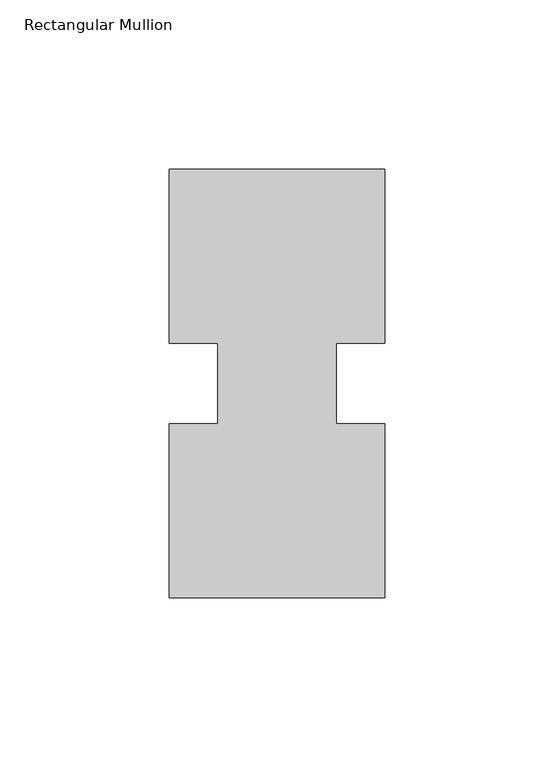
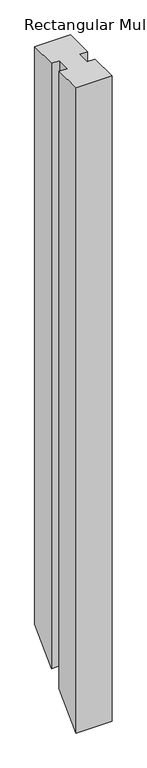
"""IFC4 building model written with IfcOpenShell, lengths in millimetres: member geometry, Rectangular Mullion."""

import ifcopenshell
import ifcopenshell.guid

model = None  # the IFC model being written
_history = None  # IfcOwnerHistory: only IFC2X3 demands one
_inside = {}  # id of a spatial element -> (the spatial element, [elements in it])
_under = {}  # id of a project, library or spatial element -> (it, [spatial elements below it])
_declared = {}  # id of a project -> (the project, [libraries it declares])
_typed = {}  # id of a type object -> (the type object, [elements of that type])
_made_of = {}  # id of a material, layer set ... -> (it, [elements and type objects made of it])


def new_model(schema):
    """Start an empty IFC model of exactly this schema.

    Asked for "IFC4X3", IfcOpenShell would pick the latest addendum, in which some entities
    have other attributes; the version numbers below select the first issue.
    IFC2X3 requires an IfcOwnerHistory on every rooted entity: one is made here for all.
    """
    global model, _history
    if schema == "IFC4X3":
        model = ifcopenshell.file(schema_version=(4, 3, 0, 0))
    else:
        model = ifcopenshell.file(schema=schema)
    _inside.clear()
    _under.clear()
    _declared.clear()
    _typed.clear()
    _made_of.clear()
    _history = None
    if model.schema == "IFC2X3":
        org = make("IfcOrganization", Name="unknown")
        user = make(
            "IfcPersonAndOrganization",
            ThePerson=make("IfcPerson", FamilyName="unknown"),
            TheOrganization=org,
        )
        app = make(
            "IfcApplication",
            ApplicationDeveloper=org,
            Version="unknown",
            ApplicationFullName="unknown",
            ApplicationIdentifier="unknown",
        )
        _history = make(
            "IfcOwnerHistory",
            OwningUser=user,
            OwningApplication=app,
            ChangeAction="ADDED",
            CreationDate=0,
        )
    return model


def make(cls, **values):
    """One entity of the class cls with the attributes given. An attribute that is None is left unset."""
    return model.create_entity(
        cls, **{name: value for name, value in values.items() if value is not None}
    )


def rooted(cls, **values):
    """An entity with a GlobalId (a new one), such as an element, a storey or a relation."""
    return make(cls, GlobalId=ifcopenshell.guid.new(), OwnerHistory=_history, **values)


def si_unit(unit_type, name, prefix=None):
    """IfcSIUnit, for example si_unit("LENGTHUNIT", "METRE", prefix="MILLI")."""
    return make("IfcSIUnit", UnitType=unit_type, Prefix=prefix, Name=name)


def assignment(units):
    """IfcUnitAssignment: the units of a project."""
    return None if units is None else make("IfcUnitAssignment", Units=units)


def point(xyz):
    """IfcCartesianPoint."""
    return None if xyz is None else make("IfcCartesianPoint", Coordinates=xyz)


def direction(xyz):
    """IfcDirection."""
    return None if xyz is None else make("IfcDirection", DirectionRatios=xyz)


def frame(location, z_axis=None, x_axis=None):
    """IfcAxis2Placement3D, a coordinate frame: its origin and axes. An axis left out is left unset."""
    return make(
        "IfcAxis2Placement3D",
        Location=point(location),
        Axis=direction(z_axis),
        RefDirection=direction(x_axis),
    )


def origin():
    """The frame at (0, 0, 0) with its axes left unset."""
    return frame((0.0, 0.0, 0.0))


def place(relative_to, where):
    """IfcLocalPlacement: puts the frame where relative to a parent placement (None: the world)."""
    return make(
        "IfcLocalPlacement", PlacementRelTo=relative_to, RelativePlacement=where
    )


def context(
    kind, dimensions, precision=None, world=None, true_north=None, identifier=None
):
    """IfcGeometricRepresentationContext, for example the 3D "Model" context."""
    return make(
        "IfcGeometricRepresentationContext",
        ContextIdentifier=identifier,
        ContextType=kind,
        CoordinateSpaceDimension=dimensions,
        Precision=precision,
        WorldCoordinateSystem=world,
        TrueNorth=true_north,
    )


def project(units=None, contexts=None):
    """IfcProject with its units and contexts."""
    return rooted(
        "IfcProject",
        Name="project",
        RepresentationContexts=contexts,
        UnitsInContext=assignment(units),
    )


def spatial(cls, under=None, at=None, **own):
    """A site, building, storey or space (cls), placed at a placement, below another one or the project."""
    s = rooted(cls, ObjectPlacement=at, **own)
    if under is not None:
        _under.setdefault(under.id(), (under, []))[1].append(s)
    return s


def faces_of(points, faces, orient=None, outer=None):
    """IfcFace entities. A face is a list of loops; a loop is a list of indices into points, from 0.

    orient and outer hold one flag for each loop. By default every Orientation is true, the
    first loop of a face is its IfcFaceOuterBound and the others are IfcFaceBound.
    """
    made = []
    for i, loops in enumerate(faces):
        bounds = []
        for j, loop in enumerate(loops):
            is_outer = j == 0 if outer is None else outer[i][j]
            bounds.append(
                make(
                    "IfcFaceOuterBound" if is_outer else "IfcFaceBound",
                    Bound=make("IfcPolyLoop", Polygon=[points[k] for k in loop]),
                    Orientation=True if orient is None else orient[i][j],
                )
            )
        made.append(make("IfcFace", Bounds=bounds))
    return made


def faceted_brep(points, faces, orient=None, outer=None, voids=None):
    """IfcFacetedBrep: a solid bounded by flat faces; with voids (closed shells), ...WithVoids."""
    shared = [point(p) for p in points]
    hull = make("IfcClosedShell", CfsFaces=faces_of(shared, faces, orient, outer))
    if voids is None:
        return make("IfcFacetedBrep", Outer=hull)
    return make(
        "IfcFacetedBrepWithVoids",
        Outer=hull,
        Voids=[
            make(cls, CfsFaces=faces_of(shared, fs, o, b)) for cls, fs, o, b in voids
        ],
    )


def shape(context_of_items, identifier, shape_type, items):
    """IfcShapeRepresentation: the items that make up one representation, for example the "Body"."""
    return make(
        "IfcShapeRepresentation",
        ContextOfItems=context_of_items,
        RepresentationIdentifier=identifier,
        RepresentationType=shape_type,
        Items=items,
    )


def source(mapping_origin, context_of_items, identifier, shape_type, items):
    """IfcRepresentationMap: a shape defined once, which mapped items show again and again."""
    return make(
        "IfcRepresentationMap",
        MappingOrigin=mapping_origin,
        MappedRepresentation=shape(context_of_items, identifier, shape_type, items),
    )


def transform(
    local_origin,
    x_axis=None,
    y_axis=None,
    z_axis=None,
    scale=None,
    scale2=None,
    scale3=None,
    uniform=True,
):
    """IfcCartesianTransformationOperator3D, or its non-uniform kind. x_axis, y_axis, z_axis: its Axis1, 2, 3."""
    if uniform:
        return make(
            "IfcCartesianTransformationOperator3D",
            Axis1=direction(x_axis),
            Axis2=direction(y_axis),
            LocalOrigin=point(local_origin),
            Scale=scale,
            Axis3=direction(z_axis),
        )
    return make(
        "IfcCartesianTransformationOperator3DnonUniform",
        Axis1=direction(x_axis),
        Axis2=direction(y_axis),
        LocalOrigin=point(local_origin),
        Scale=scale,
        Axis3=direction(z_axis),
        Scale2=scale2,
        Scale3=scale3,
    )


def mapped(mapping_source, mapping_target):
    """IfcMappedItem: shows the shape of a source again, moved by a transform."""
    return make(
        "IfcMappedItem", MappingSource=mapping_source, MappingTarget=mapping_target
    )


def made_of(thing, what):
    """Note that an element or type object is made of a material, layer set ...; save() writes the relation."""
    if what is not None:
        _made_of.setdefault(what.id(), (what, []))[1].append(thing)
    return thing


def element(
    cls,
    number,
    at=None,
    inside=None,
    cuts=None,
    type_object=None,
    material=None,
    context=None,
    identifier="Body",
    shape_type=None,
    held_by="IfcProductDefinitionShape",
    body=None,
    shapes=None,
    **own,
):
    """One element of the class cls, such as IfcWall. Its Tag is "e" and its number.

    at: its placement. inside: the storey or other place that contains it. cuts: it is an
    opening in that element (IfcRelVoidsElement). A single representation is given by context,
    identifier, shape_type and body (its items); several are given by shapes. held_by: the class
    of the entity that holds the representations. save() writes the other relations.
    """
    e = rooted(cls, Tag="e%d" % number, ObjectPlacement=at, **own)
    if body is not None:
        shapes = [shape(context, identifier, shape_type, body)]
    if shapes is not None:
        e.Representation = make(held_by, Representations=shapes)
    if inside is not None:
        _inside.setdefault(inside.id(), (inside, []))[1].append(e)
    if cuts is not None:
        rooted(
            "IfcRelVoidsElement", RelatingBuildingElement=cuts, RelatedOpeningElement=e
        )
    if type_object is not None:
        _typed.setdefault(type_object.id(), (type_object, []))[1].append(e)
    return made_of(e, material)


def aggregate(whole, parts):
    """IfcRelAggregates: a whole, such as a stair, and the parts it consists of."""
    return rooted("IfcRelAggregates", RelatingObject=whole, RelatedObjects=parts)


def save(model, path):
    """Write the relations noted so far, then the file.

    IfcRelAggregates (storeys below a building ...), IfcRelContainedInSpatialStructure (elements
    in a storey), IfcRelDefinesByType, IfcRelAssociatesMaterial and IfcRelDeclares: one each for
    every whole, place, type object, material and project.
    """
    for whole, parts in _under.values():
        aggregate(whole, parts)
    for where, things in _inside.values():
        rooted(
            "IfcRelContainedInSpatialStructure",
            RelatedElements=things,
            RelatingStructure=where,
        )
    for kind, things in _typed.values():
        rooted("IfcRelDefinesByType", RelatedObjects=things, RelatingType=kind)
    for what, things in _made_of.values():
        rooted("IfcRelAssociatesMaterial", RelatedObjects=things, RelatingMaterial=what)
    for by, libraries in _declared.values():
        rooted("IfcRelDeclares", RelatingContext=by, RelatedDefinitions=libraries)
    model.write(path)


def rectangular_mullion_c2f5668b(model_context):
    return source(origin(), model_context, "Body", "Brep", [
        faceted_brep([(-63.5, 0.26035, 0.0), (0.0, 0.26035, 0.0), (0.0, 51.60645, 0.0), (-14.2748, 51.60645, 0.0), (-14.2748, 75.40625, 0.0), (0.0, 75.40625, 0.0), (0.0, 126.75235, 0.0), (-63.5, 126.75235, 0.0), (-63.5, 75.40625, 0.0), (-49.2125, 75.40625, 0.0), (-49.2125, 51.60645, 0.0), (-63.5, 51.60645, 0.0), (-63.5, 0.26035, -1206.246), (0.0, 0.26035, -1206.246), (0.0, 51.60645, -1154.8999), (-14.2748, 51.60645, -1154.8999), (-14.2748, 75.40625, -1131.1001), (0.0, 75.40625, -1131.1001), (0.0, 126.75235, -1079.754), (-63.5, 126.75235, -1079.754), (-63.5, 75.40625, -1131.1001), (-49.2125, 75.40625, -1131.1001), (-49.2125, 51.60645, -1154.8999), (-63.5, 51.60645, -1154.8999)], [[[0, 1, 2, 3, 4, 5, 6, 7, 8, 9, 10, 11]], [[1, 0, 12, 13]], [[2, 1, 13, 14]], [[3, 2, 14, 15]], [[4, 3, 15, 16]], [[5, 4, 16, 17]], [[6, 5, 17, 18]], [[7, 6, 18, 19]], [[8, 7, 19, 20]], [[9, 8, 20, 21]], [[10, 9, 21, 22]], [[11, 10, 22, 23]], [[0, 11, 23, 12]], [[12, 23, 22, 21, 20, 19, 18, 17, 16, 15, 14, 13]]]),
    ])


if __name__ == "__main__":
    model = new_model("IFC4")
    model_context = context("Model", 3, world=origin())
    ifc_project = project(units=[si_unit("LENGTHUNIT", "METRE", prefix="MILLI")], contexts=[model_context])
    site = spatial("IfcSite", under=ifc_project)
    building = spatial("IfcBuilding", under=site)
    placement = place(None, origin())
    rectangular_mullion_shape = rectangular_mullion_c2f5668b(model_context)
    element("IfcMember", 1, ObjectType="Rectangular Mullion", at=placement, inside=building, context=model_context, shape_type="MappedRepresentation", body=[
        mapped(rectangular_mullion_shape, transform((0.0, 0.0, 0.0), x_axis=(1.0, 0.0, 0.0), y_axis=(0.0, 1.0, 0.0), z_axis=(0.0, 0.0, 1.0))),
    ])
    save(model, "model.ifc")
